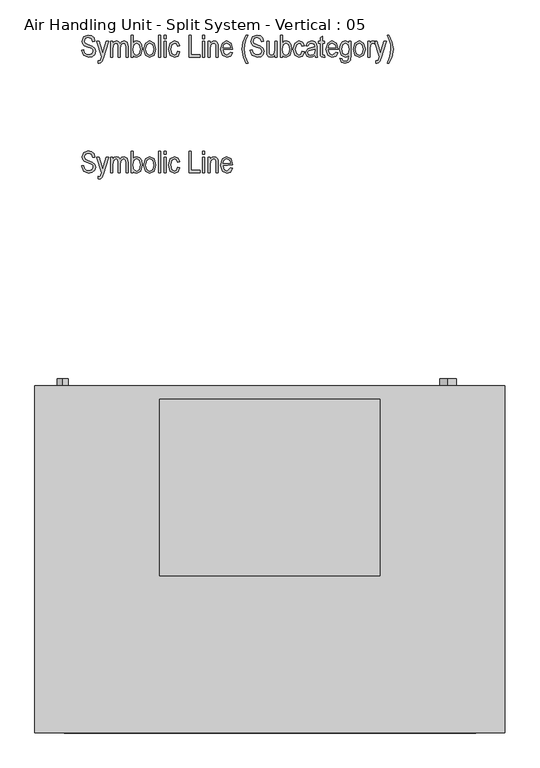
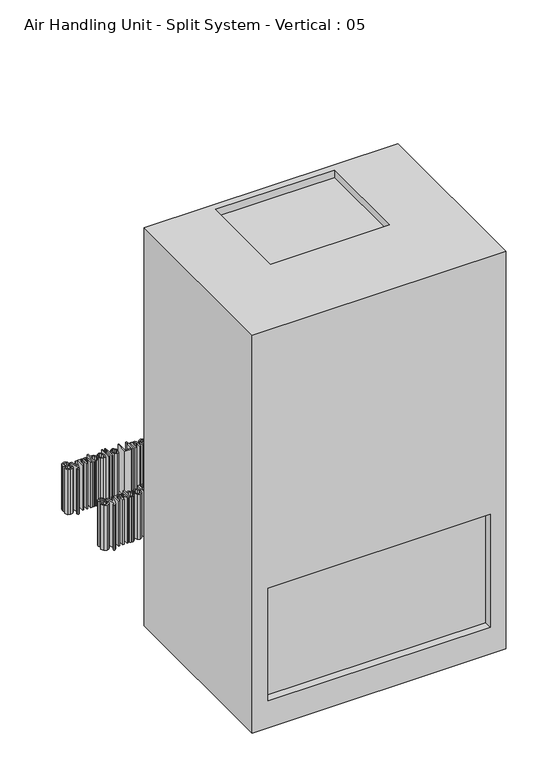
"""IFC4 building model written with IfcOpenShell, lengths in millimetres: proxy geometry, Air Handling Unit - Split System - Vertical : 05."""

from ifc_helpers import new_model, si_unit, point, frame, frame_2d, origin, origin_with_axes, place, context, project, spatial, polyline, circle_curve, trimmed, segment, composite_curve, outline, extrude, faceted_brep, source, transform, mapped, element, save


def air_handling_unit_split_system_vertical_05_5cdc15af(model_context):
    return source(origin(), model_context, "Body", "SolidModel", [
        extrude(outline(polyline([(-325.8052664, 879.9854662), (-322.176695, 880.5902281), (-320.764009, 875.5300718), (-317.6126325, 872.6196551), (-313.001323, 871.5187995), (-307.2797084, 873.2905629), (-305.2433617, 877.8971477), (-305.9851399, 880.798115), (-308.2246489, 882.8250123), (-314.6927664, 885.1353918), (-320.8774019, 887.8001239), (-323.6177292, 891.1121403), (-324.5957426, 895.6525793), (-321.732573, 903.0987102), (-314.0218587, 905.9902281), (-308.1868513, 904.6720361), (-304.3078706, 900.8922742), (-302.8243141, 895.1045138), (-306.4528855, 894.4997519), (-308.6309733, 899.9756819), (-313.8990164, 901.7568947), (-319.1576102, 900.0134796), (-320.9671712, 895.5013888), (-319.795445, 891.5231894), (-313.8990164, 888.8112102), (-307.3883766, 886.6000495), (-303.0699986, 882.9667534), (-301.6147902, 877.7743054), (-303.1077962, 872.3172742), (-307.1663155, 868.5705852), (-313.3415016, 867.2854662), (-322.3326102, 870.7108754), (-325.8052664, 879.9854662)])), origin_with_axes(), (0.0, 0.0, 1.0), 152.4),
        extrude(outline(polyline([(-297.3814569, 857.6092757), (-297.3814569, 861.842609), (-295.491576, 861.2378471), (-293.7434361, 861.7670138), (-292.6095075, 863.4206596), (-291.0881533, 868.3154513), (-299.1957426, 895.1045138), (-295.4348795, 895.1045138), (-290.8046712, 880.4201388), (-289.2077218, 874.5520584), (-287.695817, 880.3256447), (-282.9994629, 895.1045138), (-279.2385998, 895.1045138), (-287.5918736, 867.4366566), (-290.1668364, 860.3543278), (-292.2976772, 857.7888144), (-295.0002069, 857.0045138), (-297.3814569, 857.6092757)])), origin_with_axes(), (0.0, 0.0, 1.0), 152.4),
        extrude(outline(polyline([(-275.6100283, 867.8902281), (-275.6100283, 895.1045138), (-271.9814569, 895.1045138), (-271.9814569, 891.6365822), (-269.1608096, 894.6509424), (-265.3857724, 895.7092757), (-261.502067, 894.5800718), (-259.2436593, 891.2964037), (-256.1631533, 894.60842), (-252.3077962, 895.7092757), (-247.2287411, 893.5311879), (-245.3719331, 886.5622519), (-245.3719331, 867.8902281), (-249.0005045, 867.8902281), (-249.0005045, 885.2960316), (-249.4351772, 889.4915674), (-250.8431385, 891.4050718), (-253.025951, 892.0807043), (-257.0986444, 890.1152281), (-258.676695, 883.9353174), (-258.676695, 867.8902281), (-262.3052664, 867.8902281), (-262.3052664, 885.8346477), (-263.3635998, 890.6774676), (-266.2834658, 892.0807043), (-270.4506533, 889.9593129), (-271.9814569, 882.2249751), (-271.9814569, 867.8902281), (-275.6100283, 867.8902281)])), origin_with_axes(), (0.0, 0.0, 1.0), 152.4),
        extrude(outline(polyline([(-236.3005045, 867.8902281), (-239.929076, 867.8902281), (-239.929076, 905.3854662), (-236.3005045, 905.3854662), (-236.3005045, 892.2035465), (-233.546003, 894.8399304), (-230.1205938, 895.7092757), (-225.3250209, 894.1453992), (-221.8712635, 889.4065227), (-220.576695, 881.7052578), (-223.4540388, 871.0368799), (-230.1678408, 867.2854662), (-233.6452218, 868.2587549), (-236.3005045, 871.1502727), (-236.3005045, 867.8902281)]), holes=[polyline([(-236.3005045, 881.7052578), (-235.5256533, 875.2843873), (-233.3333914, 872.0337921), (-230.1867397, 870.9140376), (-226.0242769, 873.5787697), (-224.2052664, 881.5540674), (-225.958131, 889.5340897), (-230.2623349, 892.0807043), (-234.4578706, 889.4159721), (-236.3005045, 881.7052578)])]), origin_with_axes(), (0.0, 0.0, 1.0), 152.4),
        extrude(outline(polyline([(-218.1576474, 881.4973709), (-215.2472307, 892.1232266), (-207.876695, 895.7092757), (-200.5439569, 892.1232266), (-197.5957426, 881.7808531), (-200.4919852, 870.8715153), (-207.876695, 867.2854662), (-215.2236072, 870.8809647), (-218.1576474, 881.4973709)]), holes=[polyline([(-214.529076, 881.5068203), (-212.5872233, 873.5315227), (-207.7727516, 870.9140376), (-203.1519926, 873.5551462), (-201.2243141, 881.5068203), (-203.1661667, 889.4632191), (-207.9806385, 892.0807043), (-212.6155715, 889.449045), (-214.529076, 881.5068203)])]), origin_with_axes(), (0.0, 0.0, 1.0), 152.4),
        extrude(outline(polyline([(-192.7576474, 867.8902281), (-192.7576474, 905.3854662), (-189.129076, 905.3854662), (-189.129076, 867.8902281), (-192.7576474, 867.8902281)])), origin_with_axes(), (0.0, 0.0, 1.0), 152.4),
        extrude(outline(polyline([(-183.0814569, 867.8902281), (-183.0814569, 895.1045138), (-179.4528855, 895.1045138), (-179.4528855, 867.8902281), (-183.0814569, 867.8902281)])), origin_with_axes(), (0.0, 0.0, 1.0), 152.4),
        extrude(outline(polyline([(-183.0814569, 899.942609), (-183.0814569, 905.3854662), (-179.4528855, 905.3854662), (-179.4528855, 899.942609), (-183.0814569, 899.942609)])), origin_with_axes(), (0.0, 0.0, 1.0), 152.4),
        extrude(outline(polyline([(-159.4957426, 877.5664185), (-155.8671712, 876.9616566), (-159.0657947, 869.7659349), (-165.2220819, 867.2854662), (-172.4036295, 870.8809647), (-175.2195522, 881.5257191), (-172.3185849, 892.1610242), (-164.8630045, 895.7092757), (-158.9524019, 893.592609), (-155.8671712, 887.242609), (-159.4957426, 886.6378471), (-161.4612188, 890.7247147), (-164.8157575, 892.0807043), (-169.6680269, 889.5718873), (-171.5909807, 881.6013144), (-169.8003185, 873.4370287), (-165.2126325, 870.9140376), (-161.4659435, 872.5346105), (-159.4957426, 877.5664185)])), origin_with_axes(), (0.0, 0.0, 1.0), 152.4),
        extrude(outline(polyline([(-140.1433617, 867.8902281), (-140.1433617, 905.3854662), (-136.5147902, 905.3854662), (-136.5147902, 872.1235614), (-120.7909807, 872.1235614), (-120.7909807, 867.8902281), (-140.1433617, 867.8902281)])), origin_with_axes(), (0.0, 0.0, 1.0), 152.4),
        extrude(outline(polyline([(-116.5576474, 867.8902281), (-116.5576474, 895.1045138), (-112.929076, 895.1045138), (-112.929076, 867.8902281), (-116.5576474, 867.8902281)])), origin_with_axes(), (0.0, 0.0, 1.0), 152.4),
        extrude(outline(polyline([(-116.5576474, 899.942609), (-116.5576474, 905.3854662), (-112.929076, 905.3854662), (-112.929076, 899.942609), (-116.5576474, 899.942609)])), origin_with_axes(), (0.0, 0.0, 1.0), 152.4),
        extrude(outline(polyline([(-106.8814569, 867.8902281), (-106.8814569, 895.1045138), (-103.2528855, 895.1045138), (-103.2528855, 891.5893352), (-100.4086147, 894.6840153), (-96.5532575, 895.7092757), (-93.4207798, 895.005295), (-91.0962263, 893.1626611), (-89.7780343, 890.2049974), (-89.3433617, 884.6156745), (-89.3433617, 867.8902281), (-92.9719331, 867.8902281), (-92.9719331, 884.6912697), (-93.4680269, 889.1419394), (-95.0224539, 891.3153025), (-97.4792992, 892.0807043), (-101.6842843, 890.0254587), (-103.2528855, 882.9809275), (-103.2528855, 867.8902281), (-106.8814569, 867.8902281)])), origin_with_axes(), (0.0, 0.0, 1.0), 152.4),
        extrude(outline(polyline([(-68.176695, 876.3568947), (-64.5481236, 875.7521328), (-68.0916504, 869.4210316), (-74.4416504, 867.2854662), (-82.1618141, 870.8809647), (-85.1100283, 881.2705852), (-82.1476399, 892.0098337), (-74.6495373, 895.7092757), (-67.4160179, 892.1374007), (-64.5197754, 881.7997519), (-81.4814569, 880.5902281), (-79.2466727, 873.351984), (-74.3944033, 870.9140376), (-68.176695, 876.3568947)]), holes=[polyline([(-81.2357724, 884.2187995), (-68.176695, 884.2187995), (-69.764195, 889.529365), (-74.6211891, 892.0807043), (-79.1663527, 889.9545882), (-81.2357724, 884.2187995)])]), origin_with_axes(), (0.0, 0.0, 1.0), 152.4),
        extrude(outline(polyline([(-40.9624093, 857.0045138), (-45.9611444, 867.8099081), (-48.2195522, 881.5446179), (-46.4052664, 893.8501053), (-40.9624093, 905.9902281), (-37.9385998, 905.9902281), (-42.1199614, 896.7014632), (-43.9295224, 889.449045), (-44.5909807, 881.4973709), (-42.9278855, 869.2556671), (-37.9385998, 857.0045138), (-40.9624093, 857.0045138)])), origin_with_axes(), (0.0, 0.0, 1.0), 152.4),
        extrude(outline(polyline([(-34.3100283, 879.9854662), (-30.6814569, 880.5902281), (-29.2687709, 875.5300718), (-26.1173944, 872.6196551), (-21.5060849, 871.5187995), (-15.7844703, 873.2905629), (-13.7481236, 877.8971477), (-14.4899019, 880.798115), (-16.7294108, 882.8250123), (-23.1975283, 885.1353918), (-29.3821638, 887.8001239), (-32.1224911, 891.1121403), (-33.1005045, 895.6525793), (-30.2373349, 903.0987102), (-22.5266206, 905.9902281), (-16.6916132, 904.6720361), (-12.8126325, 900.8922742), (-11.329076, 895.1045138), (-14.9576474, 894.4997519), (-17.1357352, 899.9756819), (-22.4037783, 901.7568947), (-27.6623721, 900.0134796), (-29.4719331, 895.5013888), (-28.3002069, 891.5231894), (-22.4037783, 888.8112102), (-15.8931385, 886.6000495), (-11.5747605, 882.9667534), (-10.1195522, 877.7743054), (-11.6125581, 872.3172742), (-15.6710774, 868.5705852), (-21.8462635, 867.2854662), (-30.8373721, 870.7108754), (-34.3100283, 879.9854662)])), origin_with_axes(), (0.0, 0.0, 1.0), 152.4),
        extrude(outline(polyline([(8.6280669, 867.8902281), (8.6280669, 871.5660465), (5.7176502, 868.3579736), (1.9378883, 867.2854662), (-2.3237932, 868.7076016), (-4.6861444, 872.3078248), (-5.2814569, 878.2467757), (-5.2814569, 895.1045138), (-1.6528855, 895.1045138), (-1.6528855, 879.7964781), (-1.2418364, 874.0937623), (0.2842425, 871.7833828), (2.8261324, 870.9140376), (7.1728586, 873.1724453), (8.6280669, 880.3161953), (8.6280669, 895.1045138), (12.2566383, 895.1045138), (12.2566383, 867.8902281), (8.6280669, 867.8902281)])), origin_with_axes(), (0.0, 0.0, 1.0), 152.4),
        extrude(outline(polyline([(21.9328288, 867.8902281), (18.3042574, 867.8902281), (18.3042574, 905.3854662), (21.9328288, 905.3854662), (21.9328288, 892.2035465), (24.6873303, 894.8399304), (28.1127395, 895.7092757), (32.9083124, 894.1453992), (36.3620699, 889.4065227), (37.6566383, 881.7052578), (34.7792946, 871.0368799), (28.0654925, 867.2854662), (24.5881115, 868.2587549), (21.9328288, 871.1502727), (21.9328288, 867.8902281)]), holes=[polyline([(21.9328288, 881.7052578), (22.70768, 875.2843873), (24.8999419, 872.0337921), (28.0465937, 870.9140376), (32.2090565, 873.5787697), (34.0280669, 881.5540674), (32.2752023, 889.5340897), (27.9709984, 892.0807043), (23.7754627, 889.4159721), (21.9328288, 881.7052578)])]), origin_with_axes(), (0.0, 0.0, 1.0), 152.4),
        extrude(outline(polyline([(55.7994955, 877.5664185), (59.4280669, 876.9616566), (56.2294434, 869.7659349), (50.0731562, 867.2854662), (42.8916086, 870.8809647), (40.0756859, 881.5257191), (42.9766532, 892.1610242), (50.4322336, 895.7092757), (56.3428362, 893.592609), (59.4280669, 887.242609), (55.7994955, 886.6378471), (53.8340193, 890.7247147), (50.4794806, 892.0807043), (45.6272112, 889.5718873), (43.7042574, 881.6013144), (45.4949196, 873.4370287), (50.0826056, 870.9140376), (53.8292946, 872.5346105), (55.7994955, 877.5664185)])), origin_with_axes(), (0.0, 0.0, 1.0), 152.4),
        extrude(outline(polyline([(77.570924, 871.273115), (73.6541458, 868.2871031), (69.4255371, 867.2854662), (63.9070848, 869.3926834), (61.8471145, 875.0623263), (62.8345773, 879.2484126), (65.5323824, 882.0974081), (70.7201056, 883.6140376), (77.570924, 885.4283233), (76.5409389, 890.464856), (72.0997187, 892.0807043), (68.0553734, 891.0648932), (66.0804478, 887.242609), (62.4518764, 887.8473709), (65.6741234, 893.8335688), (72.6194359, 895.7092757), (78.1473377, 894.3910837), (80.6750535, 891.1263144), (81.1994955, 885.4377727), (81.1994955, 879.2862102), (81.44518, 871.1549974), (82.4090193, 867.8902281), (78.7804478, 867.8902281), (77.570924, 871.273115)]), holes=[polyline([(77.570924, 881.7997519), (71.079183, 879.9854662), (67.5781785, 879.035801), (66.0284761, 877.5238962), (65.4756859, 875.2702132), (66.7419062, 872.0999379), (70.2476353, 870.9140376), (74.1124419, 871.986545), (76.7110282, 874.8497147), (77.570924, 880.0705108), (77.570924, 881.7997519)])]), origin_with_axes(), (0.0, 0.0, 1.0), 152.4),
        extrude(outline(polyline([(94.5042574, 870.9140376), (95.1090193, 867.2854662), (92.3686919, 867.2854662), (89.2881859, 868.0744915), (87.6817871, 870.2336804), (87.2471145, 875.685987), (87.2471145, 891.4759424), (84.223305, 891.4759424), (84.223305, 895.1045138), (87.2471145, 895.1045138), (87.2471145, 901.1521328), (90.8756859, 904.1759424), (90.8756859, 895.1045138), (94.5042574, 895.1045138), (94.5042574, 891.4759424), (90.8756859, 891.4759424), (90.8756859, 874.8544394), (91.1969657, 871.8778769), (92.9167574, 870.9140376), (94.5042574, 870.9140376)])), origin_with_axes(), (0.0, 0.0, 1.0), 152.4),
        extrude(outline(polyline([(113.8566383, 876.3568947), (117.4852098, 875.7521328), (113.941683, 869.4210316), (107.591683, 867.2854662), (99.8715193, 870.8809647), (96.923305, 881.2705852), (99.8856934, 892.0098337), (107.3837961, 895.7092757), (114.6173154, 892.1374007), (117.513558, 881.7997519), (100.5518764, 880.5902281), (102.7866606, 873.351984), (107.63893, 870.9140376), (113.8566383, 876.3568947)]), holes=[polyline([(100.7975609, 884.2187995), (113.8566383, 884.2187995), (112.2691383, 889.529365), (107.4121443, 892.0807043), (102.8669806, 889.9545882), (100.7975609, 884.2187995)])]), origin_with_axes(), (0.0, 0.0, 1.0), 152.4),
        extrude(outline(polyline([(121.1137812, 865.4711804), (124.7423526, 864.8664185), (126.292055, 861.6772444), (129.8828288, 860.6330852), (133.8704776, 861.8095361), (135.8926502, 865.3105406), (136.2328288, 871.273115), (133.4877767, 868.7406745), (130.1001651, 867.8902281), (123.51393, 871.273115), (120.5090193, 881.6958084), (121.8555595, 889.3592757), (125.3896368, 894.1737474), (130.2891532, 895.7092757), (133.927174, 894.783234), (136.8375907, 892.005109), (136.8375907, 895.1045138), (139.8614002, 895.1045138), (139.8614002, 871.6794394), (138.8455892, 862.7592013), (135.5193987, 858.5494915), (129.958424, 857.0045138), (123.3485654, 859.2487474), (121.1137812, 865.4711804)]), holes=[polyline([(124.1375907, 881.9792906), (125.9707752, 874.0228918), (130.4592425, 871.5187995), (134.976058, 873.97092), (136.8375907, 881.7714037), (134.9240862, 889.5388144), (130.2797038, 892.0807043), (125.9849493, 889.5388144), (124.1375907, 881.9792906)])]), origin_with_axes(), (0.0, 0.0, 1.0), 152.4),
        extrude(outline(polyline([(144.0947336, 881.4973709), (147.0051502, 892.1232266), (154.3756859, 895.7092757), (161.708424, 892.1232266), (164.6566383, 881.7808531), (161.7603958, 870.8715153), (154.3756859, 867.2854662), (147.0287737, 870.8809647), (144.0947336, 881.4973709)]), holes=[polyline([(147.723305, 881.5068203), (149.6651577, 873.5315227), (154.4796294, 870.9140376), (159.1003883, 873.5551462), (161.0280669, 881.5068203), (159.0862142, 889.4632191), (154.2717425, 892.0807043), (149.6368095, 889.449045), (147.723305, 881.5068203)])]), origin_with_axes(), (0.0, 0.0, 1.0), 152.4),
        extrude(outline(polyline([(169.4947336, 867.8902281), (169.4947336, 895.1045138), (173.123305, 895.1045138), (173.123305, 891.4948412), (175.4478586, 894.8777281), (177.8291086, 895.7092757), (181.5899717, 894.4997519), (180.3804478, 890.8711804), (177.5645252, 891.4759424), (175.3013928, 890.6113218), (173.8603586, 888.1969989), (173.123305, 882.4612102), (173.123305, 867.8902281), (169.4947336, 867.8902281)])), origin_with_axes(), (0.0, 0.0, 1.0), 152.4),
        extrude(outline(polyline([(182.7994955, 857.6092757), (182.7994955, 861.842609), (184.6893764, 861.2378471), (186.4375163, 861.7670138), (187.5714449, 863.4206596), (189.092799, 868.3154513), (180.9852098, 895.1045138), (184.7460728, 895.1045138), (189.3762812, 880.4201388), (190.9732306, 874.5520584), (192.4851353, 880.3256447), (197.1814895, 895.1045138), (200.9423526, 895.1045138), (192.5890788, 867.4366566), (190.014116, 860.3543278), (187.8832752, 857.7888144), (185.1807455, 857.0045138), (182.7994955, 857.6092757)])), origin_with_axes(), (0.0, 0.0, 1.0), 152.4),
        extrude(outline(polyline([(205.7804478, 857.0045138), (202.7566383, 857.0045138), (207.745924, 869.2556671), (209.4090193, 881.4973709), (208.7428362, 889.449045), (206.9379999, 896.7014632), (202.7566383, 905.9902281), (205.7804478, 905.9902281), (211.223305, 893.8501053), (213.0375907, 881.5446179), (210.8689523, 868.0272444), (205.7804478, 857.0045138)])), origin_with_axes(), (0.0, 0.0, 1.0), 152.4),
        extrude(outline(polyline([(-325.8052664, 679.9604662), (-322.176695, 680.5652281), (-320.764009, 675.5050718), (-317.6126325, 672.5946551), (-313.001323, 671.4937995), (-307.2797084, 673.2655629), (-305.2433617, 677.8721477), (-305.9851399, 680.773115), (-308.2246489, 682.8000123), (-314.6927664, 685.1103918), (-320.8774019, 687.7751239), (-323.6177292, 691.0871403), (-324.5957426, 695.6275793), (-321.732573, 703.0737102), (-314.0218587, 705.9652281), (-308.1868513, 704.6470361), (-304.3078706, 700.8672742), (-302.8243141, 695.0795138), (-306.4528855, 694.4747519), (-308.6309733, 699.9506819), (-313.8990164, 701.7318947), (-319.1576102, 699.9884796), (-320.9671712, 695.4763888), (-319.795445, 691.4981894), (-313.8990164, 688.7862102), (-307.3883766, 686.5750495), (-303.0699986, 682.9417534), (-301.6147902, 677.7493054), (-303.1077962, 672.2922742), (-307.1663155, 668.5455852), (-313.3415016, 667.2604662), (-322.3326102, 670.6858754), (-325.8052664, 679.9604662)])), origin_with_axes(), (0.0, 0.0, 1.0), 152.4),
        extrude(outline(polyline([(-297.3814569, 657.5842757), (-297.3814569, 661.817609), (-295.491576, 661.2128471), (-293.7434361, 661.7420138), (-292.6095075, 663.3956596), (-291.0881533, 668.2904513), (-299.1957426, 695.0795138), (-295.4348795, 695.0795138), (-290.8046712, 680.3951388), (-289.2077218, 674.5270584), (-287.695817, 680.3006447), (-282.9994629, 695.0795138), (-279.2385998, 695.0795138), (-287.5918736, 667.4116566), (-290.1668364, 660.3293278), (-292.2976772, 657.7638144), (-295.0002069, 656.9795138), (-297.3814569, 657.5842757)])), origin_with_axes(), (0.0, 0.0, 1.0), 152.4),
        extrude(outline(polyline([(-275.6100283, 667.8652281), (-275.6100283, 695.0795138), (-271.9814569, 695.0795138), (-271.9814569, 691.6115822), (-269.1608096, 694.6259424), (-265.3857724, 695.6842757), (-261.502067, 694.5550718), (-259.2436593, 691.2714037), (-256.1631533, 694.58342), (-252.3077962, 695.6842757), (-247.2287411, 693.5061879), (-245.3719331, 686.5372519), (-245.3719331, 667.8652281), (-249.0005045, 667.8652281), (-249.0005045, 685.2710316), (-249.4351772, 689.4665674), (-250.8431385, 691.3800718), (-253.025951, 692.0557043), (-257.0986444, 690.0902281), (-258.676695, 683.9103174), (-258.676695, 667.8652281), (-262.3052664, 667.8652281), (-262.3052664, 685.8096477), (-263.3635998, 690.6524676), (-266.2834658, 692.0557043), (-270.4506533, 689.9343129), (-271.9814569, 682.1999751), (-271.9814569, 667.8652281), (-275.6100283, 667.8652281)])), origin_with_axes(), (0.0, 0.0, 1.0), 152.4),
        extrude(outline(polyline([(-236.3005045, 667.8652281), (-239.929076, 667.8652281), (-239.929076, 705.3604662), (-236.3005045, 705.3604662), (-236.3005045, 692.1785465), (-233.546003, 694.8149304), (-230.1205938, 695.6842757), (-225.3250209, 694.1203992), (-221.8712635, 689.3815227), (-220.576695, 681.6802578), (-223.4540388, 671.0118799), (-230.1678408, 667.2604662), (-233.6452218, 668.2337549), (-236.3005045, 671.1252727), (-236.3005045, 667.8652281)]), holes=[polyline([(-236.3005045, 681.6802578), (-235.5256533, 675.2593873), (-233.3333914, 672.0087921), (-230.1867397, 670.8890376), (-226.0242769, 673.5537697), (-224.2052664, 681.5290674), (-225.958131, 689.5090897), (-230.2623349, 692.0557043), (-234.4578706, 689.3909721), (-236.3005045, 681.6802578)])]), origin_with_axes(), (0.0, 0.0, 1.0), 152.4),
        extrude(outline(polyline([(-218.1576474, 681.4723709), (-215.2472307, 692.0982266), (-207.876695, 695.6842757), (-200.5439569, 692.0982266), (-197.5957426, 681.7558531), (-200.4919852, 670.8465153), (-207.876695, 667.2604662), (-215.2236072, 670.8559647), (-218.1576474, 681.4723709)]), holes=[polyline([(-214.529076, 681.4818203), (-212.5872233, 673.5065227), (-207.7727516, 670.8890376), (-203.1519926, 673.5301462), (-201.2243141, 681.4818203), (-203.1661667, 689.4382191), (-207.9806385, 692.0557043), (-212.6155715, 689.424045), (-214.529076, 681.4818203)])]), origin_with_axes(), (0.0, 0.0, 1.0), 152.4),
        extrude(outline(polyline([(-192.7576474, 667.8652281), (-192.7576474, 705.3604662), (-189.129076, 705.3604662), (-189.129076, 667.8652281), (-192.7576474, 667.8652281)])), origin_with_axes(), (0.0, 0.0, 1.0), 152.4),
        extrude(outline(polyline([(-183.0814569, 667.8652281), (-183.0814569, 695.0795138), (-179.4528855, 695.0795138), (-179.4528855, 667.8652281), (-183.0814569, 667.8652281)])), origin_with_axes(), (0.0, 0.0, 1.0), 152.4),
        extrude(outline(polyline([(-183.0814569, 699.917609), (-183.0814569, 705.3604662), (-179.4528855, 705.3604662), (-179.4528855, 699.917609), (-183.0814569, 699.917609)])), origin_with_axes(), (0.0, 0.0, 1.0), 152.4),
        extrude(outline(polyline([(-159.4957426, 677.5414185), (-155.8671712, 676.9366566), (-159.0657947, 669.7409349), (-165.2220819, 667.2604662), (-172.4036295, 670.8559647), (-175.2195522, 681.5007191), (-172.3185849, 692.1360242), (-164.8630045, 695.6842757), (-158.9524019, 693.567609), (-155.8671712, 687.217609), (-159.4957426, 686.6128471), (-161.4612188, 690.6997147), (-164.8157575, 692.0557043), (-169.6680269, 689.5468873), (-171.5909807, 681.5763144), (-169.8003185, 673.4120287), (-165.2126325, 670.8890376), (-161.4659435, 672.5096105), (-159.4957426, 677.5414185)])), origin_with_axes(), (0.0, 0.0, 1.0), 152.4),
        extrude(outline(polyline([(-140.1433617, 667.8652281), (-140.1433617, 705.3604662), (-136.5147902, 705.3604662), (-136.5147902, 672.0985614), (-120.7909807, 672.0985614), (-120.7909807, 667.8652281), (-140.1433617, 667.8652281)])), origin_with_axes(), (0.0, 0.0, 1.0), 152.4),
        extrude(outline(polyline([(-116.5576474, 667.8652281), (-116.5576474, 695.0795138), (-112.929076, 695.0795138), (-112.929076, 667.8652281), (-116.5576474, 667.8652281)])), origin_with_axes(), (0.0, 0.0, 1.0), 152.4),
        extrude(outline(polyline([(-116.5576474, 699.917609), (-116.5576474, 705.3604662), (-112.929076, 705.3604662), (-112.929076, 699.917609), (-116.5576474, 699.917609)])), origin_with_axes(), (0.0, 0.0, 1.0), 152.4),
        extrude(outline(polyline([(-106.8814569, 667.8652281), (-106.8814569, 695.0795138), (-103.2528855, 695.0795138), (-103.2528855, 691.5643352), (-100.4086147, 694.6590153), (-96.5532575, 695.6842757), (-93.4207798, 694.980295), (-91.0962263, 693.1376611), (-89.7780343, 690.1799974), (-89.3433617, 684.5906745), (-89.3433617, 667.8652281), (-92.9719331, 667.8652281), (-92.9719331, 684.6662697), (-93.4680269, 689.1169394), (-95.0224539, 691.2903025), (-97.4792992, 692.0557043), (-101.6842843, 690.0004587), (-103.2528855, 682.9559275), (-103.2528855, 667.8652281), (-106.8814569, 667.8652281)])), origin_with_axes(), (0.0, 0.0, 1.0), 152.4),
        extrude(outline(polyline([(-68.176695, 676.3318947), (-64.5481236, 675.7271328), (-68.0916504, 669.3960316), (-74.4416504, 667.2604662), (-82.1618141, 670.8559647), (-85.1100283, 681.2455852), (-82.1476399, 691.9848337), (-74.6495373, 695.6842757), (-67.4160179, 692.1124007), (-64.5197754, 681.7747519), (-81.4814569, 680.5652281), (-79.2466727, 673.326984), (-74.3944033, 670.8890376), (-68.176695, 676.3318947)]), holes=[polyline([(-81.2357724, 684.1937995), (-68.176695, 684.1937995), (-69.764195, 689.504365), (-74.6211891, 692.0557043), (-79.1663527, 689.9295882), (-81.2357724, 684.1937995)])]), origin_with_axes(), (0.0, 0.0, 1.0), 152.4),
        extrude(outline(composite_curve([segment(trimmed(circle_curve(frame_2d((132.55625, -358.378125)), 9.525), [point((142.08125, -358.378125))], [point((123.03125, -358.378125))], False, "CARTESIAN"), True, "CONTINUOUS"), segment(trimmed(circle_curve(frame_2d((132.55625, -358.378125)), 9.525), [point((123.03125, -358.378125))], [point((142.08125, -358.378125))], False, "CARTESIAN"), True, "CONTINUOUS")], self_intersect=False)), frame((0.0, 287.0398438, 0.0), z_axis=(0.0, 1.0, 0.0), x_axis=(0.0, 0.0, 1.0)), (0.0, 0.0, 1.0), 25.4),
        extrude(outline(composite_curve([segment(trimmed(circle_curve(frame_2d((617.4382813, 307.975)), 4.7625), [point((622.2007813, 307.975))], [point((612.6757813, 307.975))], False, "CARTESIAN"), True, "CONTINUOUS"), segment(trimmed(circle_curve(frame_2d((617.4382813, 307.975)), 4.7625), [point((612.6757813, 307.975))], [point((622.2007813, 307.975))], False, "CARTESIAN"), True, "CONTINUOUS")], self_intersect=False)), frame((0.0, 287.0398438, 0.0), z_axis=(0.0, 1.0, 0.0), x_axis=(0.0, 0.0, 1.0)), (0.0, 0.0, 1.0), 25.4),
        extrude(outline(composite_curve([segment(trimmed(circle_curve(frame_2d((688.8757813, 307.975)), 14.2875), [point((703.1632813, 307.975))], [point((674.5882813, 307.975))], False, "CARTESIAN"), True, "CONTINUOUS"), segment(trimmed(circle_curve(frame_2d((688.8757813, 307.975)), 14.2875), [point((674.5882813, 307.975))], [point((703.1632813, 307.975))], False, "CARTESIAN"), True, "CONTINUOUS")], self_intersect=False)), frame((0.0, 287.0398438, 0.0), z_axis=(0.0, 1.0, 0.0), x_axis=(0.0, 0.0, 1.0)), (0.0, 0.0, 1.0), 25.4),
        faceted_brep([(406.4, 299.7398437, 1346.2), (-406.4, 299.7398437, 1346.2), (-406.4, -299.7398437, 1346.2), (406.4, -299.7398437, 1346.2), (190.5, 276.9195313, 1346.2), (190.5, -27.8804687, 1346.2), (-190.5, -27.8804687, 1346.2), (-190.5, 276.9195313, 1346.2), (406.4, 299.7398437, 0.0), (406.4, -299.7398437, 0.0), (-406.4, -299.7398437, 0.0), (-406.4, 299.7398437, 0.0), (355.6, -299.7398437, 472.8765625), (355.6, -299.7398437, 91.8765625), (-355.6, -299.7398437, 91.8765625), (-355.6, -299.7398437, 472.8765625), (190.5, 276.9195313, 1320.8), (-190.5, 276.9195313, 1320.8), (-190.5, -27.8804687, 1320.8), (190.5, -27.8804687, 1320.8), (355.6, -274.3398437, 472.8765625), (-355.6, -274.3398437, 472.8765625), (-355.6, -274.3398437, 91.8765625), (355.6, -274.3398437, 91.8765625)], [[[0, 1, 2, 3], [4, 5, 6, 7]], [[8, 9, 10, 11]], [[1, 0, 8, 11]], [[2, 1, 11, 10]], [[3, 2, 10, 9], [12, 13, 14, 15]], [[0, 3, 9, 8]], [[16, 17, 18, 19]], [[16, 19, 5, 4]], [[19, 18, 6, 5]], [[18, 17, 7, 6]], [[17, 16, 4, 7]], [[20, 21, 22, 23]], [[20, 23, 13, 12]], [[23, 22, 14, 13]], [[22, 21, 15, 14]], [[21, 20, 12, 15]]]),
    ])


if __name__ == "__main__":
    model = new_model("IFC4")
    model_context = context("Model", 3, world=origin())
    ifc_project = project(units=[si_unit("LENGTHUNIT", "METRE", prefix="MILLI")], contexts=[model_context])
    site = spatial("IfcSite", under=ifc_project)
    building = spatial("IfcBuilding", under=site)
    placement = place(None, origin())
    air_handling_unit_split_system_vertical_05_shape = air_handling_unit_split_system_vertical_05_5cdc15af(model_context)
    element("IfcBuildingElementProxy", 1, Name="Air Handling Unit - Split System - Vertical : 05", ObjectType="Air Handling Unit - Split System - Vertical : 05", at=placement, inside=building, context=model_context, shape_type="MappedRepresentation", body=[
        mapped(air_handling_unit_split_system_vertical_05_shape, transform((0.0, 0.0, 0.0), x_axis=(1.0, 0.0, 0.0), y_axis=(0.0, 1.0, 0.0), z_axis=(0.0, 0.0, 1.0))),
    ])
    save(model, "model.ifc")
